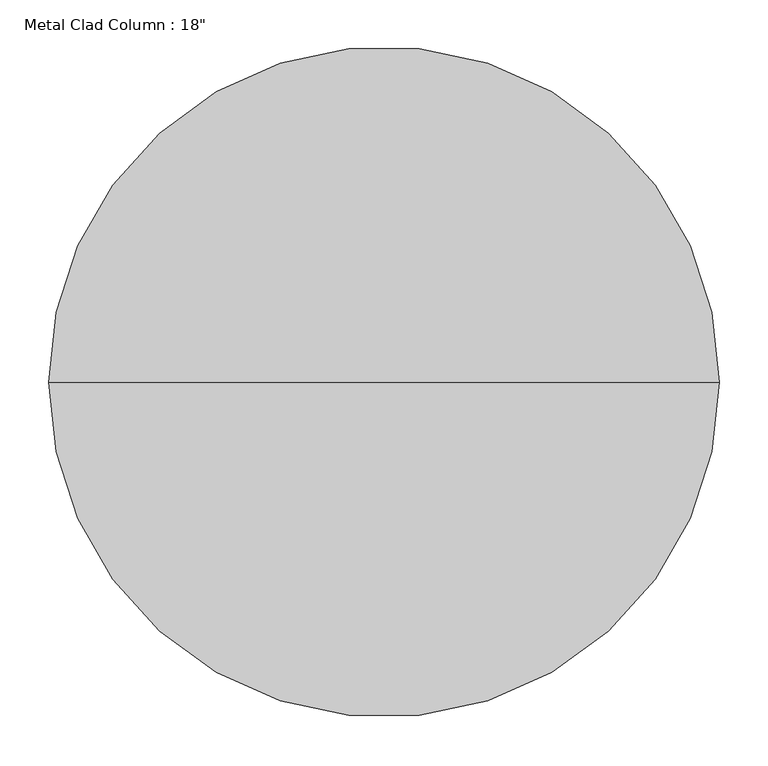
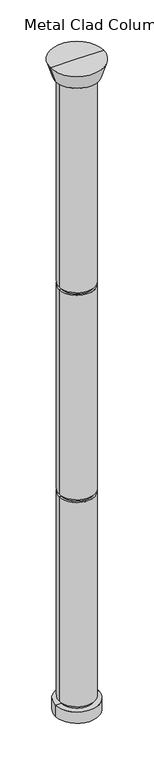
"""IFC4 building model written with IfcOpenShell, lengths in millimetres: column geometry."""

from ifc_helpers import new_model, si_unit, frame, origin, place, context, project, spatial, polyline, circle_curve, source, transform, mapped, element, save
from ifc_brep_helpers import plane_surface, cylinder_surface, revolved_surface, advanced_brep


def column_1f0e9e1d(model_context):
    return source(origin(), model_context, "Body", "AdvancedBrep", [
        advanced_brep(
        [(0.0, 0.0, 1066.8), (-279.4, 0.0, 1066.8), (279.4, 0.0, 1066.8), (-279.4, 0.0, 1219.2), (279.4, 0.0, 1219.2), (203.2, 0.0, 4072.4666667), (-203.2, 0.0, 4072.4666667), (-228.6, 0.0, 4072.4666667), (228.6, 0.0, 4072.4666667), (-228.6, 0.0, 6849.5333333), (228.6, 0.0, 6849.5333333), (203.2, 0.0, 4034.3666667), (-203.2, 0.0, 4034.3666667), (228.6, 0.0, 4034.3666667), (-228.6, 0.0, 4034.3666667), (228.6, 0.0, 1257.3), (-228.6, 0.0, 1257.3), (203.2, 0.0, 1257.3), (-203.2, 0.0, 1257.3), (203.2, 0.0, 1219.2), (-203.2, 0.0, 1219.2), (279.4, 0.0, 9702.8), (-279.4, 0.0, 9702.8), (-342.9, 0.0, 9906.0), (342.9, 0.0, 9906.0), (0.0, 0.0, 9906.0), (203.2, 0.0, 9702.8), (-203.2, 0.0, 9702.8), (203.2, 0.0, 9664.7), (-203.2, 0.0, 9664.7), (228.6, 0.0, 9664.7), (-228.6, 0.0, 9664.7), (228.6, 0.0, 6887.6333333), (-228.6, 0.0, 6887.6333333), (203.2, 0.0, 6887.6333333), (-203.2, 0.0, 6887.6333333), (203.2, 0.0, 6849.5333333), (-203.2, 0.0, 6849.5333333)],
        [
            (0, 1),
            (1, 2, circle_curve(frame((0.0, 0.0, 1066.8), z_axis=(0.0, 0.0, -1.0), x_axis=(-1.0, 0.0, 0.0)), 279.4)),
            (2, 0),
            (2, 1, circle_curve(frame((0.0, 0.0, 1066.8), z_axis=(0.0, 0.0, -1.0), x_axis=(-1.0, 0.0, 0.0)), 279.4)),
            (1, 3),
            (3, 4, circle_curve(frame((0.0, 0.0, 1219.2), z_axis=(0.0, 0.0, -1.0), x_axis=(-1.0, 0.0, 0.0)), 279.4)),
            (4, 2),
            (4, 3, circle_curve(frame((0.0, 0.0, 1219.2), z_axis=(0.0, 0.0, -1.0), x_axis=(-1.0, 0.0, 0.0)), 279.4)),
            (5, 6, circle_curve(frame((0.0, 0.0, 4072.4666667), z_axis=(0.0, 0.0, 1.0), x_axis=(-1.0, 0.0, 0.0)), 203.2)),
            (6, 7),
            (7, 8, circle_curve(frame((0.0, 0.0, 4072.4666667), z_axis=(0.0, 0.0, -1.0), x_axis=(-1.0, 0.0, 0.0)), 228.6)),
            (8, 5),
            (7, 9),
            (9, 10, circle_curve(frame((0.0, 0.0, 6849.5333333), z_axis=(0.0, 0.0, -1.0), x_axis=(-1.0, 0.0, 0.0)), 228.6)),
            (10, 8),
            (7, 8, circle_curve(frame((0.0, 0.0, 4072.4666667), z_axis=(0.0, 0.0, 1.0), x_axis=(-1.0, 0.0, 0.0)), 228.6)),
            (10, 9, circle_curve(frame((0.0, 0.0, 6849.5333333), z_axis=(0.0, 0.0, -1.0), x_axis=(-1.0, 0.0, 0.0)), 228.6)),
            (6, 5, circle_curve(frame((0.0, 0.0, 4072.4666667), z_axis=(0.0, 0.0, 1.0), x_axis=(-1.0, 0.0, 0.0)), 203.2)),
            (11, 12, circle_curve(frame((0.0, 0.0, 4034.3666667), z_axis=(0.0, 0.0, 1.0), x_axis=(-1.0, 0.0, 0.0)), 203.2)),
            (12, 6),
            (5, 11),
            (12, 11, circle_curve(frame((0.0, 0.0, 4034.3666667), z_axis=(0.0, 0.0, 1.0), x_axis=(-1.0, 0.0, 0.0)), 203.2)),
            (13, 14, circle_curve(frame((0.0, 0.0, 4034.3666667), z_axis=(0.0, 0.0, 1.0), x_axis=(-1.0, 0.0, 0.0)), 228.6)),
            (14, 12),
            (11, 13),
            (14, 13, circle_curve(frame((0.0, 0.0, 4034.3666667), z_axis=(0.0, 0.0, 1.0), x_axis=(-1.0, 0.0, 0.0)), 228.6)),
            (15, 16, circle_curve(frame((0.0, 0.0, 1257.3), z_axis=(0.0, 0.0, 1.0), x_axis=(-1.0, 0.0, 0.0)), 228.6)),
            (16, 14),
            (13, 15),
            (16, 15, circle_curve(frame((0.0, 0.0, 1257.3), z_axis=(0.0, 0.0, 1.0), x_axis=(-1.0, 0.0, 0.0)), 228.6)),
            (17, 18, circle_curve(frame((0.0, 0.0, 1257.3), z_axis=(0.0, 0.0, 1.0), x_axis=(-1.0, 0.0, 0.0)), 203.2)),
            (18, 16),
            (15, 17),
            (18, 17, circle_curve(frame((0.0, 0.0, 1257.3), z_axis=(0.0, 0.0, 1.0), x_axis=(-1.0, 0.0, 0.0)), 203.2)),
            (19, 20, circle_curve(frame((0.0, 0.0, 1219.2), z_axis=(0.0, 0.0, 1.0), x_axis=(-1.0, 0.0, 0.0)), 203.2)),
            (20, 18),
            (17, 19),
            (20, 19, circle_curve(frame((0.0, 0.0, 1219.2), z_axis=(0.0, 0.0, 1.0), x_axis=(-1.0, 0.0, 0.0)), 203.2)),
            (3, 20),
            (19, 4),
            (21, 22, circle_curve(frame((0.0, 0.0, 9702.8), z_axis=(0.0, 0.0, 1.0), x_axis=(-1.0, 0.0, 0.0)), 279.4)),
            (22, 23),
            (23, 24, circle_curve(frame((0.0, 0.0, 9906.0), z_axis=(0.0, 0.0, -1.0), x_axis=(-1.0, 0.0, 0.0)), 342.9)),
            (24, 21),
            (23, 25),
            (25, 24),
            (23, 24, circle_curve(frame((0.0, 0.0, 9906.0), z_axis=(0.0, 0.0, 1.0), x_axis=(-1.0, 0.0, 0.0)), 342.9)),
            (22, 21, circle_curve(frame((0.0, 0.0, 9702.8), z_axis=(0.0, 0.0, 1.0), x_axis=(-1.0, 0.0, 0.0)), 279.4)),
            (26, 27, circle_curve(frame((0.0, 0.0, 9702.8), z_axis=(0.0, 0.0, 1.0), x_axis=(-1.0, 0.0, 0.0)), 203.2)),
            (27, 22),
            (21, 26),
            (27, 26, circle_curve(frame((0.0, 0.0, 9702.8), z_axis=(0.0, 0.0, 1.0), x_axis=(-1.0, 0.0, 0.0)), 203.2)),
            (28, 29, circle_curve(frame((0.0, 0.0, 9664.7), z_axis=(0.0, 0.0, 1.0), x_axis=(-1.0, 0.0, 0.0)), 203.2)),
            (29, 27),
            (26, 28),
            (29, 28, circle_curve(frame((0.0, 0.0, 9664.7), z_axis=(0.0, 0.0, 1.0), x_axis=(-1.0, 0.0, 0.0)), 203.2)),
            (30, 31, circle_curve(frame((0.0, 0.0, 9664.7), z_axis=(0.0, 0.0, 1.0), x_axis=(-1.0, 0.0, 0.0)), 228.6)),
            (31, 29),
            (28, 30),
            (31, 30, circle_curve(frame((0.0, 0.0, 9664.7), z_axis=(0.0, 0.0, 1.0), x_axis=(-1.0, 0.0, 0.0)), 228.6)),
            (32, 33, circle_curve(frame((0.0, 0.0, 6887.6333333), z_axis=(0.0, 0.0, 1.0), x_axis=(-1.0, 0.0, 0.0)), 228.6)),
            (33, 31),
            (30, 32),
            (33, 32, circle_curve(frame((0.0, 0.0, 6887.6333333), z_axis=(0.0, 0.0, 1.0), x_axis=(-1.0, 0.0, 0.0)), 228.6)),
            (34, 35, circle_curve(frame((0.0, 0.0, 6887.6333333), z_axis=(0.0, 0.0, 1.0), x_axis=(-1.0, 0.0, 0.0)), 203.2)),
            (35, 33),
            (32, 34),
            (35, 34, circle_curve(frame((0.0, 0.0, 6887.6333333), z_axis=(0.0, 0.0, 1.0), x_axis=(-1.0, 0.0, 0.0)), 203.2)),
            (36, 37, circle_curve(frame((0.0, 0.0, 6849.5333333), z_axis=(0.0, 0.0, 1.0), x_axis=(-1.0, 0.0, 0.0)), 203.2)),
            (37, 35),
            (34, 36),
            (37, 36, circle_curve(frame((0.0, 0.0, 6849.5333333), z_axis=(0.0, 0.0, 1.0), x_axis=(-1.0, 0.0, 0.0)), 203.2)),
            (9, 37),
            (36, 10),
        ],
        [
            plane_surface(frame((0.0, 0.0, 1066.8), z_axis=(0.0, 0.0, -1.0), x_axis=(-1.0, 0.0, 0.0))),
            cylinder_surface(frame((0.0, 0.0, 9906.0), z_axis=(0.0, 0.0, -1.0), x_axis=(-1.0, 0.0, 0.0)), 279.4),
            plane_surface(frame((0.0, 0.0, 4072.4666667), z_axis=(0.0, 0.0, -1.0), x_axis=(-1.0, 0.0, 0.0))),
            cylinder_surface(frame((0.0, 0.0, 9906.0), z_axis=(0.0, 0.0, -1.0), x_axis=(-1.0, 0.0, 0.0)), 228.6),
            cylinder_surface(frame((0.0, 0.0, 9906.0), z_axis=(0.0, 0.0, -1.0), x_axis=(-1.0, 0.0, 0.0)), 203.2),
            plane_surface(frame((0.0, 0.0, 4034.3666667), z_axis=(0.0, 0.0, 1.0), x_axis=(-1.0, 0.0, 0.0))),
            plane_surface(frame((0.0, 0.0, 1257.3), z_axis=(0.0, 0.0, -1.0), x_axis=(-1.0, 0.0, 0.0))),
            plane_surface(frame((0.0, 0.0, 1219.2), z_axis=(0.0, 0.0, 1.0), x_axis=(-1.0, 0.0, 0.0))),
            revolved_surface(polyline([(-342.9, 0.0, 9906.0), (-279.4, 0.0, 9702.8)]), (0.0, 0.0, 9906.0), (0.0, 0.0, -1.0)),
            plane_surface(frame((0.0, 0.0, 9906.0), z_axis=(0.0, 0.0, 1.0), x_axis=(-1.0, 0.0, 0.0))),
            plane_surface(frame((0.0, 0.0, 9702.8), z_axis=(0.0, 0.0, -1.0), x_axis=(-1.0, 0.0, 0.0))),
            plane_surface(frame((0.0, 0.0, 9664.7), z_axis=(0.0, 0.0, 1.0), x_axis=(-1.0, 0.0, 0.0))),
            plane_surface(frame((0.0, 0.0, 6887.6333333), z_axis=(0.0, 0.0, -1.0), x_axis=(-1.0, 0.0, 0.0))),
            plane_surface(frame((0.0, 0.0, 6849.5333333), z_axis=(0.0, 0.0, 1.0), x_axis=(-1.0, 0.0, 0.0))),
        ],
        [
            (0, [[1, 2, 3]]),
            (0, [[-3, 4, -1]]),
            (1, [[-2, 5, 6, 7]]),
            (1, [[-4, -7, 8, -5]]),
            (2, [[9, 10, 11, 12]]),
            (3, [[-11, 13, 14, 15]]),
            (3, [[16, -15, 17, -13]]),
            (2, [[18, -12, -16, -10]]),
            (4, [[19, 20, -9, 21]]),
            (4, [[22, -21, -18, -20]]),
            (5, [[23, 24, -19, 25]]),
            (5, [[26, -25, -22, -24]]),
            (3, [[27, 28, -23, 29]]),
            (3, [[30, -29, -26, -28]]),
            (6, [[31, 32, -27, 33]]),
            (6, [[34, -33, -30, -32]]),
            (4, [[35, 36, -31, 37]]),
            (4, [[38, -37, -34, -36]]),
            (7, [[-6, 39, -35, 40]]),
            (7, [[-8, -40, -38, -39]]),
            (8, [[41, 42, 43, 44]]),
            (9, [[-43, 45, 46]]),
            (9, [[47, -46, -45]]),
            (8, [[48, -44, -47, -42]]),
            (10, [[49, 50, -41, 51]]),
            (10, [[52, -51, -48, -50]]),
            (4, [[53, 54, -49, 55]]),
            (4, [[56, -55, -52, -54]]),
            (11, [[57, 58, -53, 59]]),
            (11, [[60, -59, -56, -58]]),
            (3, [[61, 62, -57, 63]]),
            (3, [[64, -63, -60, -62]]),
            (12, [[65, 66, -61, 67]]),
            (12, [[68, -67, -64, -66]]),
            (4, [[69, 70, -65, 71]]),
            (4, [[72, -71, -68, -70]]),
            (13, [[-14, 73, -69, 74]]),
            (13, [[-17, -74, -72, -73]]),
        ],
    ),
    ])


if __name__ == "__main__":
    model = new_model("IFC4")
    model_context = context("Model", 3, world=origin())
    ifc_project = project(units=[si_unit("LENGTHUNIT", "METRE", prefix="MILLI")], contexts=[model_context])
    site = spatial("IfcSite", under=ifc_project)
    building = spatial("IfcBuilding", under=site)
    placement = place(None, origin())
    column_shape = column_1f0e9e1d(model_context)
    element("IfcColumn", 1, ObjectType="Metal Clad Column : 18\"", at=placement, inside=building, context=model_context, shape_type="MappedRepresentation", body=[
        mapped(column_shape, transform((0.0, 0.0, 0.0), x_axis=(1.0, 0.0, 0.0), y_axis=(0.0, 1.0, 0.0), z_axis=(0.0, 0.0, 1.0))),
    ])
    save(model, "model.ifc")
